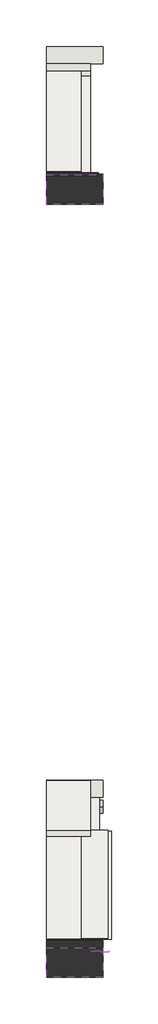
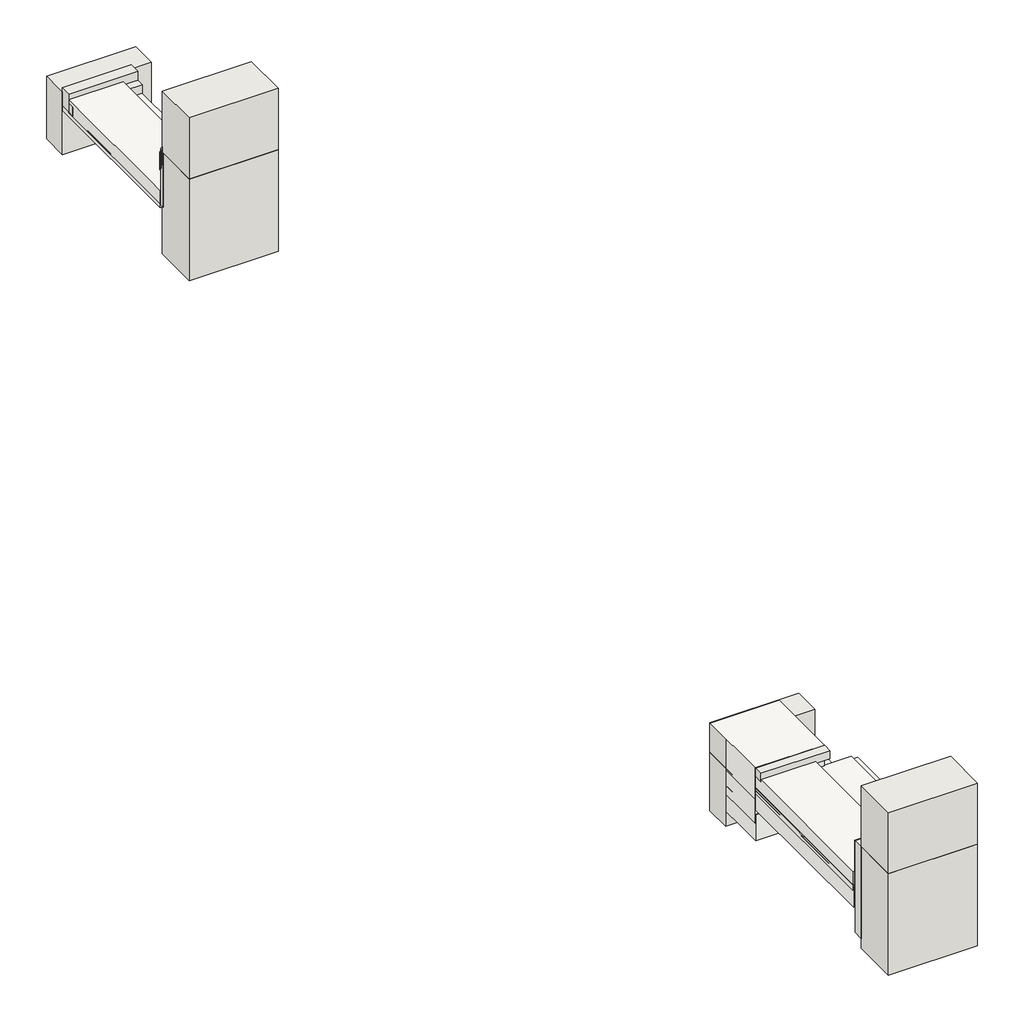
# One storey: 12 walls, 8 slabs, 2 coverings, 2 pipe segments.
"""IFC4 building model written with IfcOpenShell, lengths in millimetres."""

from ifc_helpers import new_model, si_unit, point, frame, frame_2d, origin, origin_with_axes, place, context, project, spatial, polyline, circle_curve, trimmed, segment, composite_curve, outline, extrude, element, save

model = new_model("IFC4")

# Units and contexts
model_context = context("Model", 3, world=origin())
ifc_project = project(units=[si_unit("LENGTHUNIT", "METRE", prefix="MILLI")], contexts=[model_context])

# Site, building, storey
site = spatial("IfcSite", under=ifc_project)
building = spatial("IfcBuilding", under=site)
storey = spatial("IfcBuildingStorey", under=building, Elevation=0.0)

# Coverings
placement = place(None, origin())
element("IfcCovering", 1, at=placement, inside=storey, context=model_context, shape_type="SweptSolid", body=[
    extrude(outline(polyline([(-22735.7654506, 1745.9708092), (-22735.7654506, -114.5739572), (-23495.7654506, -114.5739572), (-23495.7654506, 1745.9708092), (-22735.7654506, 1745.9708092)])), frame((0.0, 0.0, 663.3942056), z_axis=(0.0, 0.0, 1.0), x_axis=(1.0, 0.0, 0.0)), (0.0, 0.0, 1.0), 57.0),
])
element("IfcCovering", 2, at=placement, inside=storey, context=model_context, shape_type="SweptSolid", body=[
    extrude(outline(polyline([(-22435.7654506, -11438.9894333), (-22435.7654506, -13299.5341997), (-23495.7654506, -13299.5341997), (-23495.7654506, -11438.9894333), (-22435.7654506, -11438.9894333)])), frame((0.0, 0.0, 724.9750179), z_axis=(0.0, 0.0, 1.0), x_axis=(1.0, 0.0, 0.0)), (0.0, 0.0, 1.0), 57.0),
])

# Pipe segments
element("IfcPipeSegment", 3, at=placement, inside=storey, context=model_context, shape_type="SweptSolid", body=[
    extrude(outline(composite_curve([segment(trimmed(circle_curve(frame_2d((-11037.5808547, 538.1699949)), 109.5375), [point((-10928.0433547, 538.1699949))], [point((-11037.5808547, 428.6324949))], False, "CARTESIAN"), True, "CONTINUOUS"), segment(trimmed(circle_curve(frame_2d((-11037.5808547, 538.1699949)), 109.5375), [point((-11037.5808547, 428.6324949))], [point((-11147.1183547, 538.1699949))], False, "CARTESIAN"), True, "CONTINUOUS"), segment(trimmed(circle_curve(frame_2d((-11037.5808547, 538.1699949)), 109.5375), [point((-11147.1183547, 538.1699949))], [point((-11037.5808547, 647.7074949))], False, "CARTESIAN"), True, "CONTINUOUS"), segment(trimmed(circle_curve(frame_2d((-11037.5808547, 538.1699949)), 109.5375), [point((-11037.5808547, 647.7074949))], [point((-10928.0433547, 538.1699949))], False, "CARTESIAN"), True, "CONTINUOUS")], self_intersect=False)), frame((-22716.1686937, 0.0, 0.0), z_axis=(1.0, 0.0, 0.0), x_axis=(0.0, 1.0, 0.0)), (0.0, 0.0, 1.0), 200.0),
])
element("IfcPipeSegment", 4, at=placement, inside=storey, context=model_context, shape_type="SweptSolid", body=[
    extrude(outline(composite_curve([segment(trimmed(circle_curve(frame_2d((-13531.1956396, 1260.4836339)), 13.335), [point((-13517.8606396, 1260.4836339))], [point((-13531.1956396, 1247.1486339))], False, "CARTESIAN"), True, "CONTINUOUS"), segment(trimmed(circle_curve(frame_2d((-13531.1956396, 1260.4836339)), 13.335), [point((-13531.1956396, 1247.1486339))], [point((-13544.5306396, 1260.4836339))], False, "CARTESIAN"), True, "CONTINUOUS"), segment(trimmed(circle_curve(frame_2d((-13531.1956396, 1260.4836339)), 13.335), [point((-13544.5306396, 1260.4836339))], [point((-13531.1956396, 1273.8186339))], False, "CARTESIAN"), True, "CONTINUOUS"), segment(trimmed(circle_curve(frame_2d((-13531.1956396, 1260.4836339)), 13.335), [point((-13531.1956396, 1273.8186339))], [point((-13517.8606396, 1260.4836339))], False, "CARTESIAN"), True, "CONTINUOUS")], self_intersect=False)), frame((-22716.1686937, 0.0, 0.0), z_axis=(1.0, 0.0, 0.0), x_axis=(0.0, 1.0, 0.0)), (0.0, 0.0, 1.0), 300.0),
])

# Slabs
element("IfcSlab", 5, at=placement, inside=storey, context=model_context, shape_type="SweptSolid", body=[
    extrude(outline(polyline([(-23495.7654506, 1634.7450289), (-22896.6322785, 1634.7450289), (-22896.6322785, -114.3992012), (-23495.7654506, -114.3992012), (-23495.7654506, 1634.7450289)])), frame((0.0, 0.0, 710.0), z_axis=(0.0, 0.0, 1.0), x_axis=(1.0, 0.0, 0.0)), (0.0, 0.0, 1.0), 150.0),
])
element("IfcSlab", 6, at=placement, inside=storey, context=model_context, shape_type="SweptSolid", body=[
    extrude(outline(polyline([(-23495.7654506, -11448.1956396), (-22896.6322785, -11448.1956396), (-22896.6322785, -13313.7844163), (-23495.7654506, -13313.7844163), (-23495.7654506, -11448.1956396)])), frame((0.0, 0.0, 800.0), z_axis=(0.0, 0.0, 1.0), x_axis=(1.0, 0.0, 0.0)), (0.0, 0.0, 1.0), 150.0),
])
element("IfcSlab", 7, at=placement, inside=storey, context=model_context, shape_type="SweptSolid", body=[
    extrude(outline(polyline([(-23495.7654506, -11456.6251925), (-22375.7654506, -11456.6251925), (-22375.7654506, -13316.3264781), (-23495.7654506, -13316.3264781), (-23495.7654506, -11456.6251925)])), frame((0.0, 0.0, 540.0), z_axis=(0.0, 0.0, 1.0), x_axis=(1.0, 0.0, 0.0)), (0.0, 0.0, 1.0), 225.0),
])
element("IfcSlab", 8, at=placement, inside=storey, context=model_context, shape_type="SweptSolid", body=[
    extrude(outline(polyline([(-23495.7654506, -10587.5808547), (-22735.7654506, -10587.5808547), (-22735.7654506, -11444.0071447), (-23495.7654506, -11444.0071447), (-23495.7654506, -10587.5808547)])), frame((0.0, 0.0, 660.0), z_axis=(0.0, 0.0, 1.0), x_axis=(1.0, 0.0, 0.0)), (0.0, 0.0, 1.0), 362.0),
])
element("IfcSlab", 9, at=placement, inside=storey, context=model_context, shape_type="SweptSolid", body=[
    extrude(outline(polyline([(-23495.7654506, -10588.0800541), (-22575.7654506, -10588.0800541), (-22575.7654506, -11442.7489773), (-23495.7654506, -11442.7489773), (-23495.7654506, -10588.0800541)])), frame((0.0, 0.0, 380.0), z_axis=(0.0, 0.0, 1.0), x_axis=(1.0, 0.0, 0.0)), (0.0, 0.0, 1.0), 300.0),
])
element("IfcSlab", 10, at=placement, inside=storey, context=model_context, shape_type="SweptSolid", body=[
    extrude(outline(polyline([(-23495.7654506, -10585.1463981), (-22575.7654506, -10585.1463981), (-22575.7654506, -11447.9916249), (-23495.7654506, -11447.9916249), (-23495.7654506, -10585.1463981)])), frame((0.0, 0.0, 180.0), z_axis=(0.0, 0.0, 1.0), x_axis=(1.0, 0.0, 0.0)), (0.0, 0.0, 1.0), 300.0),
])
element("IfcSlab", 11, at=placement, inside=storey, context=model_context, shape_type="SweptSolid", body=[
    extrude(outline(polyline([(-150.4730891, 1185.0), (-150.4730891, 1395.0), (-118.1956396, 1360.0), (-118.1956396, 1150.0), (-150.4730891, 1185.0)])), frame((-23495.7654506, 0.0, 0.0), z_axis=(1.0, 0.0, 0.0), x_axis=(0.0, 1.0, 0.0)), (0.0, 0.0, 1.0), 599.133172),
])
element("IfcSlab", 12, at=placement, inside=storey, context=model_context, shape_type="SweptSolid", body=[
    extrude(outline(polyline([(-130.7338728, 1133.5628544), (-130.7338728, 1343.5628544), (-98.4564232, 1308.5628544), (-98.4564232, 1098.5628544), (-130.7338728, 1133.5628544)])), frame((-23495.7654506, 0.0, 0.0), z_axis=(1.0, 0.0, 0.0), x_axis=(0.0, 1.0, 0.0)), (0.0, 0.0, 1.0), 599.133172),
])

# Walls
element("IfcWall", 13, at=placement, inside=storey, context=model_context, shape_type="SweptSolid", body=[
    extrude(outline(polyline([(-23495.7654506, 1754.7450289), (-22735.7654506, 1754.7450289), (-22735.7654506, 1634.7450289), (-23495.7654506, 1634.7450289), (-23495.7654506, 1754.7450289)])), frame((0.0, 0.0, 720.3942056), z_axis=(0.0, 0.0, 1.0), x_axis=(1.0, 0.0, 0.0)), (0.0, 0.0, 1.0), 204.6057944),
])
element("IfcWall", 14, at=placement, inside=storey, context=model_context, shape_type="SweptSolid", body=[
    extrude(outline(polyline([(-23495.7654506, -118.1956396), (-22595.7654506, -118.1956396), (-22595.7654506, -168.1956396), (-23495.7654506, -168.1956396), (-23495.7654506, -118.1956396)])), frame((0.0, 0.0, 700.0), z_axis=(0.0, 0.0, 1.0), x_axis=(1.0, 0.0, 0.0)), (0.0, 0.0, 1.0), 630.0),
])
element("IfcWall", 15, at=placement, inside=storey, context=model_context, shape_type="SweptSolid", body=[
    extrude(outline(polyline([(-23495.7654506, -148.1956396), (-22515.7654506, -148.1956396), (-22515.7654506, -662.1956396), (-23495.7654506, -662.1956396), (-23495.7654506, -148.1956396)])), frame((0.0, 0.0, 148.3942056), z_axis=(0.0, 0.0, 1.0), x_axis=(1.0, 0.0, 0.0)), (0.0, 0.0, 1.0), 1181.0316678),
])
element("IfcWall", 16, at=placement, inside=storey, context=model_context, shape_type="SweptSolid", body=[
    extrude(outline(polyline([(-23495.7654506, -149.1956396), (-22515.7654506, -149.1956396), (-22515.7654506, -661.1956396), (-23495.7654506, -661.1956396), (-23495.7654506, -149.1956396)])), frame((0.0, 0.0, 1329.4258733), z_axis=(0.0, 0.0, 1.0), x_axis=(1.0, 0.0, 0.0)), (0.0, 0.0, 1.0), 710.5741267),
])
element("IfcWall", 17, at=placement, inside=storey, context=model_context, shape_type="SweptSolid", body=[
    extrude(outline(polyline([(-23495.7654506, 2054.7450289), (-22515.7654506, 2054.7450289), (-22515.7654506, 1754.7450289), (-23495.7654506, 1754.7450289), (-23495.7654506, 2054.7450289)])), frame((0.0, 0.0, 148.3942056), z_axis=(0.0, 0.0, 1.0), x_axis=(1.0, 0.0, 0.0)), (0.0, 0.0, 1.0), 731.6057944),
])
element("IfcWall", 18, at=placement, inside=storey, context=model_context, shape_type="SweptSolid", body=[
    extrude(outline(polyline([(-23495.7654506, 1631.8043604), (-22735.7654506, 1631.8043604), (-22735.7654506, 1551.8043604), (-23495.7654506, 1551.8043604), (-23495.7654506, 1631.8043604)])), frame((0.0, 0.0, 720.3942056), z_axis=(0.0, 0.0, 1.0), x_axis=(1.0, 0.0, 0.0)), (0.0, 0.0, 1.0), 99.6057944),
])
element("IfcWall", 19, at=placement, inside=storey, context=model_context, shape_type="SweptSolid", body=[
    extrude(outline(polyline([(-23495.7654506, -11448.1956396), (-22735.7654506, -11448.1956396), (-22735.7654506, -11548.1956396), (-23495.7654506, -11548.1956396), (-23495.7654506, -11448.1956396)])), frame((0.0, 0.0, 927.0), z_axis=(0.0, 0.0, 1.0), x_axis=(1.0, 0.0, 0.0)), (0.0, 0.0, 1.0), 95.0),
])
element("IfcWall", 20, at=placement, inside=storey, context=model_context, shape_type="SweptSolid", body=[
    extrude(outline(polyline([(-23495.7654506, -13343.1956396), (-22515.7654506, -13343.1956396), (-22515.7654506, -13463.1956396), (-23495.7654506, -13463.1956396), (-23495.7654506, -13343.1956396)])), frame((0.0, 0.0, 261.2434165), z_axis=(0.0, 0.0, 1.0), x_axis=(1.0, 0.0, 0.0)), (0.0, 0.0, 1.0), 1068.7565835),
])
element("IfcWall", 21, at=placement, inside=storey, context=model_context, shape_type="SweptSolid", body=[
    extrude(outline(polyline([(-23495.7654506, -13333.1956396), (-22550.7654506, -13333.1956396), (-22550.7654506, -13383.1956396), (-23495.7654506, -13383.1956396), (-23495.7654506, -13333.1956396)])), frame((0.0, 0.0, 640.7241801), z_axis=(0.0, 0.0, 1.0), x_axis=(1.0, 0.0, 0.0)), (0.0, 0.0, 1.0), 689.2758199),
])
element("IfcWall", 22, at=placement, inside=storey, context=model_context, shape_type="SweptSolid", body=[
    extrude(outline(polyline([(-23495.7654506, -13463.1956396), (-22515.7654506, -13463.1956396), (-22515.7654506, -13977.1956396), (-23495.7654506, -13977.1956396), (-23495.7654506, -13463.1956396)])), frame((0.0, 0.0, 148.3942056), z_axis=(0.0, 0.0, 1.0), x_axis=(1.0, 0.0, 0.0)), (0.0, 0.0, 1.0), 1181.0316678),
])
element("IfcWall", 23, at=placement, inside=storey, context=model_context, shape_type="SweptSolid", body=[
    extrude(outline(polyline([(-23495.7654506, -13465.1956396), (-22515.7654506, -13465.1956396), (-22515.7654506, -13977.1956396), (-23495.7654506, -13977.1956396), (-23495.7654506, -13465.1956396)])), frame((0.0, 0.0, 1329.4258733), z_axis=(0.0, 0.0, 1.0), x_axis=(1.0, 0.0, 0.0)), (0.0, 0.0, 1.0), 710.5741267),
])
element("IfcWall", 24, at=placement, inside=storey, context=model_context, shape_type="SweptSolid", body=[
    extrude(outline(polyline([(-23495.7654506, -10577.5808547), (-22515.7654506, -10577.5808547), (-22515.7654506, -10877.5808547), (-23495.7654506, -10877.5808547), (-23495.7654506, -10577.5808547)])), origin_with_axes(), (0.0, 0.0, 1.0), 1020.0),
])

save(model, "model.ifc")
